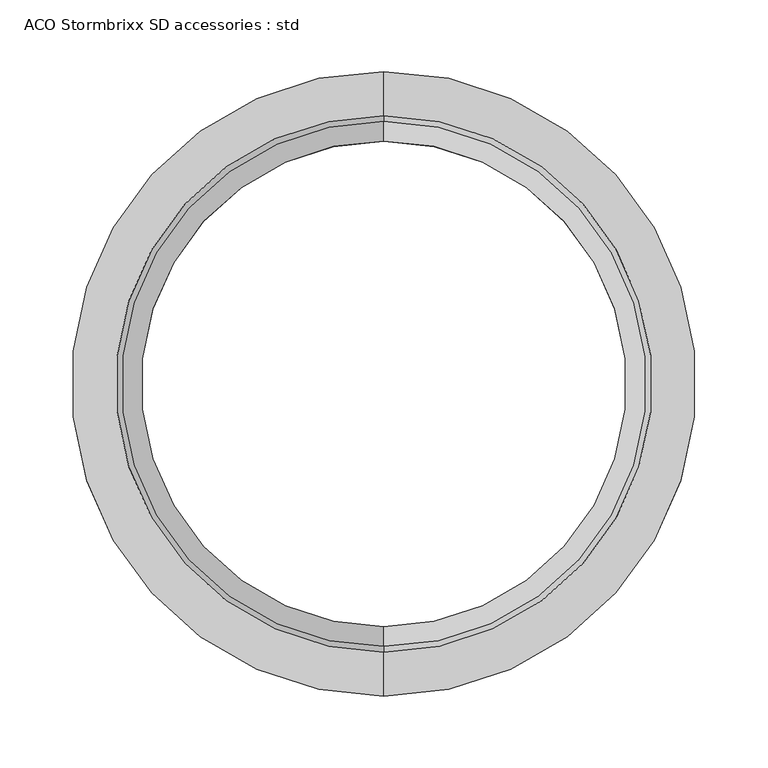
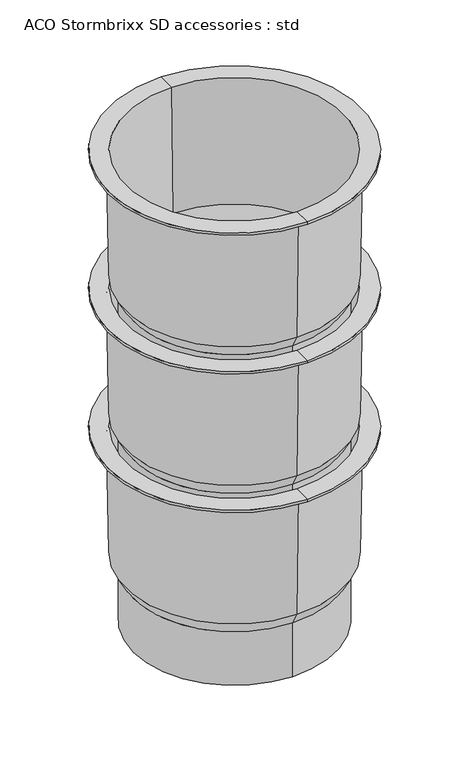
"""IFC4 building model written with IfcOpenShell, lengths in millimetres: proxy geometry, ACO Stormbrixx SD accessories : std."""

import ifcopenshell
import ifcopenshell.guid

model = None  # the IFC model being written
_history = None  # IfcOwnerHistory: only IFC2X3 demands one
_inside = {}  # id of a spatial element -> (the spatial element, [elements in it])
_under = {}  # id of a project, library or spatial element -> (it, [spatial elements below it])
_declared = {}  # id of a project -> (the project, [libraries it declares])
_typed = {}  # id of a type object -> (the type object, [elements of that type])
_made_of = {}  # id of a material, layer set ... -> (it, [elements and type objects made of it])


def new_model(schema):
    """Start an empty IFC model of exactly this schema.

    Asked for "IFC4X3", IfcOpenShell would pick the latest addendum, in which some entities
    have other attributes; the version numbers below select the first issue.
    IFC2X3 requires an IfcOwnerHistory on every rooted entity: one is made here for all.
    """
    global model, _history
    if schema == "IFC4X3":
        model = ifcopenshell.file(schema_version=(4, 3, 0, 0))
    else:
        model = ifcopenshell.file(schema=schema)
    _inside.clear()
    _under.clear()
    _declared.clear()
    _typed.clear()
    _made_of.clear()
    _history = None
    if model.schema == "IFC2X3":
        org = make("IfcOrganization", Name="unknown")
        user = make(
            "IfcPersonAndOrganization",
            ThePerson=make("IfcPerson", FamilyName="unknown"),
            TheOrganization=org,
        )
        app = make(
            "IfcApplication",
            ApplicationDeveloper=org,
            Version="unknown",
            ApplicationFullName="unknown",
            ApplicationIdentifier="unknown",
        )
        _history = make(
            "IfcOwnerHistory",
            OwningUser=user,
            OwningApplication=app,
            ChangeAction="ADDED",
            CreationDate=0,
        )
    return model


def make(cls, **values):
    """One entity of the class cls with the attributes given. An attribute that is None is left unset."""
    return model.create_entity(
        cls, **{name: value for name, value in values.items() if value is not None}
    )


def rooted(cls, **values):
    """An entity with a GlobalId (a new one), such as an element, a storey or a relation."""
    return make(cls, GlobalId=ifcopenshell.guid.new(), OwnerHistory=_history, **values)


def si_unit(unit_type, name, prefix=None):
    """IfcSIUnit, for example si_unit("LENGTHUNIT", "METRE", prefix="MILLI")."""
    return make("IfcSIUnit", UnitType=unit_type, Prefix=prefix, Name=name)


def assignment(units):
    """IfcUnitAssignment: the units of a project."""
    return None if units is None else make("IfcUnitAssignment", Units=units)


def point(xyz):
    """IfcCartesianPoint."""
    return None if xyz is None else make("IfcCartesianPoint", Coordinates=xyz)


def direction(xyz):
    """IfcDirection."""
    return None if xyz is None else make("IfcDirection", DirectionRatios=xyz)


def frame(location, z_axis=None, x_axis=None):
    """IfcAxis2Placement3D, a coordinate frame: its origin and axes. An axis left out is left unset."""
    return make(
        "IfcAxis2Placement3D",
        Location=point(location),
        Axis=direction(z_axis),
        RefDirection=direction(x_axis),
    )


def origin():
    """The frame at (0, 0, 0) with its axes left unset."""
    return frame((0.0, 0.0, 0.0))


def place(relative_to, where):
    """IfcLocalPlacement: puts the frame where relative to a parent placement (None: the world)."""
    return make(
        "IfcLocalPlacement", PlacementRelTo=relative_to, RelativePlacement=where
    )


def context(
    kind, dimensions, precision=None, world=None, true_north=None, identifier=None
):
    """IfcGeometricRepresentationContext, for example the 3D "Model" context."""
    return make(
        "IfcGeometricRepresentationContext",
        ContextIdentifier=identifier,
        ContextType=kind,
        CoordinateSpaceDimension=dimensions,
        Precision=precision,
        WorldCoordinateSystem=world,
        TrueNorth=true_north,
    )


def project(units=None, contexts=None):
    """IfcProject with its units and contexts."""
    return rooted(
        "IfcProject",
        Name="project",
        RepresentationContexts=contexts,
        UnitsInContext=assignment(units),
    )


def spatial(cls, under=None, at=None, **own):
    """A site, building, storey or space (cls), placed at a placement, below another one or the project."""
    s = rooted(cls, ObjectPlacement=at, **own)
    if under is not None:
        _under.setdefault(under.id(), (under, []))[1].append(s)
    return s


def polyline(points):
    """IfcPolyline through the points."""
    return make("IfcPolyline", Points=[point(p) for p in points])


def circle_curve(where, radius):
    """IfcCircle in the frame where."""
    return make("IfcCircle", Position=where, Radius=radius)


def shape(context_of_items, identifier, shape_type, items):
    """IfcShapeRepresentation: the items that make up one representation, for example the "Body"."""
    return make(
        "IfcShapeRepresentation",
        ContextOfItems=context_of_items,
        RepresentationIdentifier=identifier,
        RepresentationType=shape_type,
        Items=items,
    )


def source(mapping_origin, context_of_items, identifier, shape_type, items):
    """IfcRepresentationMap: a shape defined once, which mapped items show again and again."""
    return make(
        "IfcRepresentationMap",
        MappingOrigin=mapping_origin,
        MappedRepresentation=shape(context_of_items, identifier, shape_type, items),
    )


def transform(
    local_origin,
    x_axis=None,
    y_axis=None,
    z_axis=None,
    scale=None,
    scale2=None,
    scale3=None,
    uniform=True,
):
    """IfcCartesianTransformationOperator3D, or its non-uniform kind. x_axis, y_axis, z_axis: its Axis1, 2, 3."""
    if uniform:
        return make(
            "IfcCartesianTransformationOperator3D",
            Axis1=direction(x_axis),
            Axis2=direction(y_axis),
            LocalOrigin=point(local_origin),
            Scale=scale,
            Axis3=direction(z_axis),
        )
    return make(
        "IfcCartesianTransformationOperator3DnonUniform",
        Axis1=direction(x_axis),
        Axis2=direction(y_axis),
        LocalOrigin=point(local_origin),
        Scale=scale,
        Axis3=direction(z_axis),
        Scale2=scale2,
        Scale3=scale3,
    )


def mapped(mapping_source, mapping_target):
    """IfcMappedItem: shows the shape of a source again, moved by a transform."""
    return make(
        "IfcMappedItem", MappingSource=mapping_source, MappingTarget=mapping_target
    )


def made_of(thing, what):
    """Note that an element or type object is made of a material, layer set ...; save() writes the relation."""
    if what is not None:
        _made_of.setdefault(what.id(), (what, []))[1].append(thing)
    return thing


def element(
    cls,
    number,
    at=None,
    inside=None,
    cuts=None,
    type_object=None,
    material=None,
    context=None,
    identifier="Body",
    shape_type=None,
    held_by="IfcProductDefinitionShape",
    body=None,
    shapes=None,
    **own,
):
    """One element of the class cls, such as IfcWall. Its Tag is "e" and its number.

    at: its placement. inside: the storey or other place that contains it. cuts: it is an
    opening in that element (IfcRelVoidsElement). A single representation is given by context,
    identifier, shape_type and body (its items); several are given by shapes. held_by: the class
    of the entity that holds the representations. save() writes the other relations.
    """
    e = rooted(cls, Tag="e%d" % number, ObjectPlacement=at, **own)
    if body is not None:
        shapes = [shape(context, identifier, shape_type, body)]
    if shapes is not None:
        e.Representation = make(held_by, Representations=shapes)
    if inside is not None:
        _inside.setdefault(inside.id(), (inside, []))[1].append(e)
    if cuts is not None:
        rooted(
            "IfcRelVoidsElement", RelatingBuildingElement=cuts, RelatedOpeningElement=e
        )
    if type_object is not None:
        _typed.setdefault(type_object.id(), (type_object, []))[1].append(e)
    return made_of(e, material)


def aggregate(whole, parts):
    """IfcRelAggregates: a whole, such as a stair, and the parts it consists of."""
    return rooted("IfcRelAggregates", RelatingObject=whole, RelatedObjects=parts)


def save(model, path):
    """Write the relations noted so far, then the file.

    IfcRelAggregates (storeys below a building ...), IfcRelContainedInSpatialStructure (elements
    in a storey), IfcRelDefinesByType, IfcRelAssociatesMaterial and IfcRelDeclares: one each for
    every whole, place, type object, material and project.
    """
    for whole, parts in _under.values():
        aggregate(whole, parts)
    for where, things in _inside.values():
        rooted(
            "IfcRelContainedInSpatialStructure",
            RelatedElements=things,
            RelatingStructure=where,
        )
    for kind, things in _typed.values():
        rooted("IfcRelDefinesByType", RelatedObjects=things, RelatingType=kind)
    for what, things in _made_of.values():
        rooted("IfcRelAssociatesMaterial", RelatedObjects=things, RelatingMaterial=what)
    for by, libraries in _declared.values():
        rooted("IfcRelDeclares", RelatingContext=by, RelatedDefinitions=libraries)
    model.write(path)


def plane_surface(at):
    """IfcPlane: the flat surface through the origin of the frame at, square to its z axis."""
    return make("IfcPlane", Position=at)


def cylinder_surface(at, radius):
    """IfcCylindricalSurface: all points at the distance radius from the z axis of the frame at."""
    return make("IfcCylindricalSurface", Position=at, Radius=radius)


def revolved_surface(curve, axis_point, axis_direction):
    """IfcSurfaceOfRevolution: the curve turned about the line through axis_point along axis_direction."""
    return make(
        "IfcSurfaceOfRevolution",
        SweptCurve=make("IfcArbitraryOpenProfileDef", ProfileType="CURVE", Curve=curve),
        AxisPosition=make("IfcAxis1Placement", Location=point(axis_point), Axis=direction(axis_direction)),
    )


def advanced_brep(points, edges, surfaces, faces):
    """IfcAdvancedBrep: a solid bounded by faces that lie on surfaces and meet in shared edges.

    An edge is (start, end): straight between two places in points (the first is 0);
    or (start, end, curve); or (start, end, curve, False) where it runs against its curve.
    A face is (place in surfaces, loops), or (place, loops, False) where it looks against
    its surface's normal. A loop lists edges by number (the first is 1), with a minus sign
    where the edge is run from its end to its start. The first loop is the outer one.
    """
    corners = [point(p) for p in points]
    vertices = [make("IfcVertexPoint", VertexGeometry=c) for c in corners]
    made = []
    for start, end, *more in edges:
        made.append(
            make(
                "IfcEdgeCurve",
                EdgeStart=vertices[start],
                EdgeEnd=vertices[end],
                EdgeGeometry=more[0] if more else make("IfcPolyline", Points=[corners[start], corners[end]]),
                SameSense=more[1] if len(more) > 1 else True,
            )
        )
    hull = []
    for where, loops, *sense in faces:
        bounds = []
        for j, loop in enumerate(loops):
            ring = [make("IfcOrientedEdge", EdgeElement=made[abs(k) - 1], Orientation=k > 0) for k in loop]
            bounds.append(
                make(
                    "IfcFaceOuterBound" if j == 0 else "IfcFaceBound",
                    Bound=make("IfcEdgeLoop", EdgeList=ring),
                    Orientation=True,
                )
            )
        hull.append(make("IfcAdvancedFace", Bounds=bounds, FaceSurface=surfaces[where], SameSense=sense[0] if sense else True))
    return make("IfcAdvancedBrep", Outer=make("IfcClosedShell", CfsFaces=hull))


def aco_stormbrixx_sd_accessories_std_d6255f31(model_context):
    return source(origin(), model_context, "Body", "AdvancedBrep", [
        advanced_brep(
        [(325.0, 169.5, 1342.2296145), (325.0, -169.5, 1342.2296145), (325.0, -169.5, 1440.9716668), (325.0, 169.5, 1440.9716668), (325.0, 174.0, 1342.2296145), (325.0, -174.0, 1342.2296145), (325.0, 174.0, 1439.7658954), (325.0, -174.0, 1439.7658954), (325.0, 187.7533964, 1463.5874768), (325.0, -187.7533964, 1463.5874768), (325.0, 191.665812, 1687.7296145), (325.0, -191.665812, 1687.7296145), (325.0, 218.0, 1687.7296145), (325.0, -218.0, 1687.7296145), (325.0, 218.0, 1692.1796145), (325.0, -218.0, 1692.1796145), (325.0, 187.2428016, 1692.1796145), (325.0, -187.2428016, 1692.1796145), (325.0, 183.2743925, 1464.8296145), (325.0, -183.2743925, 1464.8296145)],
        [
            (0, 1, circle_curve(frame((325.0, 0.0, 1342.2296145), z_axis=(0.0, 0.0, -1.0), x_axis=(0.0, -1.0, 0.0)), 169.5)),
            (1, 2),
            (2, 3, circle_curve(frame((325.0, 0.0, 1440.9716668), z_axis=(0.0, 0.0, 1.0), x_axis=(0.0, -1.0, 0.0)), 169.5)),
            (3, 0),
            (1, 0, circle_curve(frame((325.0, 0.0, 1342.2296145), z_axis=(0.0, 0.0, -1.0), x_axis=(0.0, -1.0, 0.0)), 169.5)),
            (3, 2, circle_curve(frame((325.0, 0.0, 1440.9716668), z_axis=(0.0, 0.0, 1.0), x_axis=(0.0, -1.0, 0.0)), 169.5)),
            (4, 5, circle_curve(frame((325.0, 0.0, 1342.2296145), z_axis=(0.0, 0.0, -1.0), x_axis=(0.0, -1.0, 0.0)), 174.0)),
            (5, 1),
            (0, 4),
            (5, 4, circle_curve(frame((325.0, 0.0, 1342.2296145), z_axis=(0.0, 0.0, -1.0), x_axis=(0.0, -1.0, 0.0)), 174.0)),
            (6, 7, circle_curve(frame((325.0, 0.0, 1439.7658954), z_axis=(0.0, 0.0, -1.0), x_axis=(0.0, -1.0, 0.0)), 174.0)),
            (7, 5),
            (4, 6),
            (7, 6, circle_curve(frame((325.0, 0.0, 1439.7658954), z_axis=(0.0, 0.0, -1.0), x_axis=(0.0, -1.0, 0.0)), 174.0)),
            (8, 9, circle_curve(frame((325.0, 0.0, 1463.5874768), z_axis=(0.0, 0.0, -1.0), x_axis=(0.0, -1.0, 0.0)), 187.7533964)),
            (9, 7),
            (6, 8),
            (9, 8, circle_curve(frame((325.0, 0.0, 1463.5874768), z_axis=(0.0, 0.0, -1.0), x_axis=(0.0, -1.0, 0.0)), 187.7533964)),
            (10, 11, circle_curve(frame((325.0, 0.0, 1687.7296145), z_axis=(0.0, 0.0, -1.0), x_axis=(0.0, -1.0, 0.0)), 191.665812)),
            (11, 9),
            (8, 10),
            (11, 10, circle_curve(frame((325.0, 0.0, 1687.7296145), z_axis=(0.0, 0.0, -1.0), x_axis=(0.0, -1.0, 0.0)), 191.665812)),
            (12, 13, circle_curve(frame((325.0, 0.0, 1687.7296145), z_axis=(0.0, 0.0, -1.0), x_axis=(0.0, -1.0, 0.0)), 218.0)),
            (13, 11),
            (10, 12),
            (13, 12, circle_curve(frame((325.0, 0.0, 1687.7296145), z_axis=(0.0, 0.0, -1.0), x_axis=(0.0, -1.0, 0.0)), 218.0)),
            (14, 15, circle_curve(frame((325.0, 0.0, 1692.1796145), z_axis=(0.0, 0.0, -1.0), x_axis=(0.0, -1.0, 0.0)), 218.0)),
            (15, 13),
            (12, 14),
            (15, 14, circle_curve(frame((325.0, 0.0, 1692.1796145), z_axis=(0.0, 0.0, -1.0), x_axis=(0.0, -1.0, 0.0)), 218.0)),
            (16, 17, circle_curve(frame((325.0, 0.0, 1692.1796145), z_axis=(0.0, 0.0, -1.0), x_axis=(0.0, -1.0, 0.0)), 187.2428016)),
            (17, 15),
            (14, 16),
            (17, 16, circle_curve(frame((325.0, 0.0, 1692.1796145), z_axis=(0.0, 0.0, -1.0), x_axis=(0.0, -1.0, 0.0)), 187.2428016)),
            (18, 19, circle_curve(frame((325.0, 0.0, 1464.8296145), z_axis=(0.0, 0.0, -1.0), x_axis=(0.0, -1.0, 0.0)), 183.2743925)),
            (19, 17),
            (16, 18),
            (19, 18, circle_curve(frame((325.0, 0.0, 1464.8296145), z_axis=(0.0, 0.0, -1.0), x_axis=(0.0, -1.0, 0.0)), 183.2743925)),
            (2, 19),
            (18, 3),
        ],
        [
            revolved_surface(polyline([(325.0, -169.5, 1440.9716668), (325.0, -169.5, 1342.2296145)]), (325.0, 0.0, 1260.9296145), (0.0, 0.0, 1.0)),
            plane_surface(frame((325.0, 0.0, 1342.2296145), z_axis=(0.0, 0.0, -1.0), x_axis=(0.0, -1.0, 0.0))),
            cylinder_surface(frame((325.0, 0.0, 1260.9296145), z_axis=(0.0, 0.0, 1.0), x_axis=(0.0, -1.0, 0.0)), 174.0),
            revolved_surface(polyline([(325.0, -174.0, 1439.7658954), (325.0, -187.7533964, 1463.5874768)]), (325.0, 0.0, 1260.9296145), (0.0, 0.0, 1.0)),
            revolved_surface(polyline([(325.0, -187.7533964, 1463.5874768), (325.0, -191.665812, 1687.7296145)]), (325.0, 0.0, 1260.9296145), (0.0, 0.0, 1.0)),
            plane_surface(frame((325.0, 0.0, 1687.7296145), z_axis=(0.0, 0.0, -1.0), x_axis=(0.0, -1.0, 0.0))),
            cylinder_surface(frame((325.0, 0.0, 1260.9296145), z_axis=(0.0, 0.0, 1.0), x_axis=(0.0, -1.0, 0.0)), 218.0),
            plane_surface(frame((325.0, 0.0, 1692.1796145), z_axis=(0.0, 0.0, 1.0), x_axis=(0.0, -1.0, 0.0))),
            revolved_surface(polyline([(325.0, -187.2428016, 1692.1796145), (325.0, -183.2743925, 1464.8296145)]), (325.0, 0.0, 1260.9296145), (0.0, 0.0, 1.0)),
            revolved_surface(polyline([(325.0, -183.2743925, 1464.8296145), (325.0, -169.5, 1440.9716668)]), (325.0, 0.0, 1260.9296145), (0.0, 0.0, 1.0)),
        ],
        [
            (0, [[1, 2, 3, 4]]),
            (0, [[5, -4, 6, -2]]),
            (1, [[7, 8, -1, 9]]),
            (1, [[10, -9, -5, -8]]),
            (2, [[11, 12, -7, 13]]),
            (2, [[14, -13, -10, -12]]),
            (3, [[15, 16, -11, 17]]),
            (3, [[18, -17, -14, -16]]),
            (4, [[19, 20, -15, 21]]),
            (4, [[22, -21, -18, -20]]),
            (5, [[23, 24, -19, 25]]),
            (5, [[26, -25, -22, -24]]),
            (6, [[27, 28, -23, 29]]),
            (6, [[30, -29, -26, -28]]),
            (7, [[31, 32, -27, 33]]),
            (7, [[34, -33, -30, -32]]),
            (8, [[35, 36, -31, 37]]),
            (8, [[38, -37, -34, -36]]),
            (9, [[-3, 39, -35, 40]]),
            (9, [[-6, -40, -38, -39]]),
        ],
    ),
        advanced_brep(
        [(325.0, 169.5, 1089.8466668), (325.0, -169.5, 1089.8466668), (325.0, -169.5, 1188.5887191), (325.0, 169.5, 1188.5887191), (325.0, 174.0, 1089.8466668), (325.0, -174.0, 1089.8466668), (325.0, 174.0, 1187.3829477), (325.0, -174.0, 1187.3829477), (325.0, 187.7533964, 1211.2045291), (325.0, -187.7533964, 1211.2045291), (325.0, 191.665812, 1435.3466668), (325.0, -191.665812, 1435.3466668), (325.0, 218.0, 1435.3466668), (325.0, -218.0, 1435.3466668), (325.0, 218.0, 1439.7966668), (325.0, -218.0, 1439.7966668), (325.0, 187.2428016, 1439.7966668), (325.0, -187.2428016, 1439.7966668), (325.0, 183.2743925, 1212.4466668), (325.0, -183.2743925, 1212.4466668)],
        [
            (0, 1, circle_curve(frame((325.0, 0.0, 1089.8466668), z_axis=(0.0, 0.0, -1.0), x_axis=(0.0, -1.0, 0.0)), 169.5)),
            (1, 2),
            (2, 3, circle_curve(frame((325.0, 0.0, 1188.5887191), z_axis=(0.0, 0.0, 1.0), x_axis=(0.0, -1.0, 0.0)), 169.5)),
            (3, 0),
            (1, 0, circle_curve(frame((325.0, 0.0, 1089.8466668), z_axis=(0.0, 0.0, -1.0), x_axis=(0.0, -1.0, 0.0)), 169.5)),
            (3, 2, circle_curve(frame((325.0, 0.0, 1188.5887191), z_axis=(0.0, 0.0, 1.0), x_axis=(0.0, -1.0, 0.0)), 169.5)),
            (4, 5, circle_curve(frame((325.0, 0.0, 1089.8466668), z_axis=(0.0, 0.0, -1.0), x_axis=(0.0, -1.0, 0.0)), 174.0)),
            (5, 1),
            (0, 4),
            (5, 4, circle_curve(frame((325.0, 0.0, 1089.8466668), z_axis=(0.0, 0.0, -1.0), x_axis=(0.0, -1.0, 0.0)), 174.0)),
            (6, 7, circle_curve(frame((325.0, 0.0, 1187.3829477), z_axis=(0.0, 0.0, -1.0), x_axis=(0.0, -1.0, 0.0)), 174.0)),
            (7, 5),
            (4, 6),
            (7, 6, circle_curve(frame((325.0, 0.0, 1187.3829477), z_axis=(0.0, 0.0, -1.0), x_axis=(0.0, -1.0, 0.0)), 174.0)),
            (8, 9, circle_curve(frame((325.0, 0.0, 1211.2045291), z_axis=(0.0, 0.0, -1.0), x_axis=(0.0, -1.0, 0.0)), 187.7533964)),
            (9, 7),
            (6, 8),
            (9, 8, circle_curve(frame((325.0, 0.0, 1211.2045291), z_axis=(0.0, 0.0, -1.0), x_axis=(0.0, -1.0, 0.0)), 187.7533964)),
            (10, 11, circle_curve(frame((325.0, 0.0, 1435.3466668), z_axis=(0.0, 0.0, -1.0), x_axis=(0.0, -1.0, 0.0)), 191.665812)),
            (11, 9),
            (8, 10),
            (11, 10, circle_curve(frame((325.0, 0.0, 1435.3466668), z_axis=(0.0, 0.0, -1.0), x_axis=(0.0, -1.0, 0.0)), 191.665812)),
            (12, 13, circle_curve(frame((325.0, 0.0, 1435.3466668), z_axis=(0.0, 0.0, -1.0), x_axis=(0.0, -1.0, 0.0)), 218.0)),
            (13, 11),
            (10, 12),
            (13, 12, circle_curve(frame((325.0, 0.0, 1435.3466668), z_axis=(0.0, 0.0, -1.0), x_axis=(0.0, -1.0, 0.0)), 218.0)),
            (14, 15, circle_curve(frame((325.0, 0.0, 1439.7966668), z_axis=(0.0, 0.0, -1.0), x_axis=(0.0, -1.0, 0.0)), 218.0)),
            (15, 13),
            (12, 14),
            (15, 14, circle_curve(frame((325.0, 0.0, 1439.7966668), z_axis=(0.0, 0.0, -1.0), x_axis=(0.0, -1.0, 0.0)), 218.0)),
            (16, 17, circle_curve(frame((325.0, 0.0, 1439.7966668), z_axis=(0.0, 0.0, -1.0), x_axis=(0.0, -1.0, 0.0)), 187.2428016)),
            (17, 15),
            (14, 16),
            (17, 16, circle_curve(frame((325.0, 0.0, 1439.7966668), z_axis=(0.0, 0.0, -1.0), x_axis=(0.0, -1.0, 0.0)), 187.2428016)),
            (18, 19, circle_curve(frame((325.0, 0.0, 1212.4466668), z_axis=(0.0, 0.0, -1.0), x_axis=(0.0, -1.0, 0.0)), 183.2743925)),
            (19, 17),
            (16, 18),
            (19, 18, circle_curve(frame((325.0, 0.0, 1212.4466668), z_axis=(0.0, 0.0, -1.0), x_axis=(0.0, -1.0, 0.0)), 183.2743925)),
            (2, 19),
            (18, 3),
        ],
        [
            revolved_surface(polyline([(325.0, -169.5, 1188.5887191), (325.0, -169.5, 1089.8466668)]), (325.0, 0.0, 1008.5466668), (0.0, 0.0, 1.0)),
            plane_surface(frame((325.0, 0.0, 1089.8466668), z_axis=(0.0, 0.0, -1.0), x_axis=(0.0, -1.0, 0.0))),
            cylinder_surface(frame((325.0, 0.0, 1008.5466668), z_axis=(0.0, 0.0, 1.0), x_axis=(0.0, -1.0, 0.0)), 174.0),
            revolved_surface(polyline([(325.0, -174.0, 1187.3829477), (325.0, -187.7533964, 1211.2045291)]), (325.0, 0.0, 1008.5466668), (0.0, 0.0, 1.0)),
            revolved_surface(polyline([(325.0, -187.7533964, 1211.2045291), (325.0, -191.665812, 1435.3466668)]), (325.0, 0.0, 1008.5466668), (0.0, 0.0, 1.0)),
            plane_surface(frame((325.0, 0.0, 1435.3466668), z_axis=(0.0, 0.0, -1.0), x_axis=(0.0, -1.0, 0.0))),
            cylinder_surface(frame((325.0, 0.0, 1008.5466668), z_axis=(0.0, 0.0, 1.0), x_axis=(0.0, -1.0, 0.0)), 218.0),
            plane_surface(frame((325.0, 0.0, 1439.7966668), z_axis=(0.0, 0.0, 1.0), x_axis=(0.0, -1.0, 0.0))),
            revolved_surface(polyline([(325.0, -187.2428016, 1439.7966668), (325.0, -183.2743925, 1212.4466668)]), (325.0, 0.0, 1008.5466668), (0.0, 0.0, 1.0)),
            revolved_surface(polyline([(325.0, -183.2743925, 1212.4466668), (325.0, -169.5, 1188.5887191)]), (325.0, 0.0, 1008.5466668), (0.0, 0.0, 1.0)),
        ],
        [
            (0, [[1, 2, 3, 4]]),
            (0, [[5, -4, 6, -2]]),
            (1, [[7, 8, -1, 9]]),
            (1, [[10, -9, -5, -8]]),
            (2, [[11, 12, -7, 13]]),
            (2, [[14, -13, -10, -12]]),
            (3, [[15, 16, -11, 17]]),
            (3, [[18, -17, -14, -16]]),
            (4, [[19, 20, -15, 21]]),
            (4, [[22, -21, -18, -20]]),
            (5, [[23, 24, -19, 25]]),
            (5, [[26, -25, -22, -24]]),
            (6, [[27, 28, -23, 29]]),
            (6, [[30, -29, -26, -28]]),
            (7, [[31, 32, -27, 33]]),
            (7, [[34, -33, -30, -32]]),
            (8, [[35, 36, -31, 37]]),
            (8, [[38, -37, -34, -36]]),
            (9, [[-3, 39, -35, 40]]),
            (9, [[-6, -40, -38, -39]]),
        ],
    ),
        advanced_brep(
        [(325.0, 169.5, 837.4637191), (325.0, -169.5, 837.4637191), (325.0, -169.5, 936.2057714), (325.0, 169.5, 936.2057714), (325.0, 174.0, 837.4637191), (325.0, -174.0, 837.4637191), (325.0, 174.0, 935.0), (325.0, -174.0, 935.0), (325.0, 187.7533964, 958.8215814), (325.0, -187.7533964, 958.8215814), (325.0, 191.665812, 1182.9637191), (325.0, -191.665812, 1182.9637191), (325.0, 218.0, 1182.9637191), (325.0, -218.0, 1182.9637191), (325.0, 218.0, 1187.4137191), (325.0, -218.0, 1187.4137191), (325.0, 187.2428016, 1187.4137191), (325.0, -187.2428016, 1187.4137191), (325.0, 183.2743925, 960.0637191), (325.0, -183.2743925, 960.0637191)],
        [
            (0, 1, circle_curve(frame((325.0, 0.0, 837.4637191), z_axis=(0.0, 0.0, -1.0), x_axis=(0.0, -1.0, 0.0)), 169.5)),
            (1, 2),
            (2, 3, circle_curve(frame((325.0, 0.0, 936.2057714), z_axis=(0.0, 0.0, 1.0), x_axis=(0.0, -1.0, 0.0)), 169.5)),
            (3, 0),
            (1, 0, circle_curve(frame((325.0, 0.0, 837.4637191), z_axis=(0.0, 0.0, -1.0), x_axis=(0.0, -1.0, 0.0)), 169.5)),
            (3, 2, circle_curve(frame((325.0, 0.0, 936.2057714), z_axis=(0.0, 0.0, 1.0), x_axis=(0.0, -1.0, 0.0)), 169.5)),
            (4, 5, circle_curve(frame((325.0, 0.0, 837.4637191), z_axis=(0.0, 0.0, -1.0), x_axis=(0.0, -1.0, 0.0)), 174.0)),
            (5, 1),
            (0, 4),
            (5, 4, circle_curve(frame((325.0, 0.0, 837.4637191), z_axis=(0.0, 0.0, -1.0), x_axis=(0.0, -1.0, 0.0)), 174.0)),
            (6, 7, circle_curve(frame((325.0, 0.0, 935.0), z_axis=(0.0, 0.0, -1.0), x_axis=(0.0, -1.0, 0.0)), 174.0)),
            (7, 5),
            (4, 6),
            (7, 6, circle_curve(frame((325.0, 0.0, 935.0), z_axis=(0.0, 0.0, -1.0), x_axis=(0.0, -1.0, 0.0)), 174.0)),
            (8, 9, circle_curve(frame((325.0, 0.0, 958.8215814), z_axis=(0.0, 0.0, -1.0), x_axis=(0.0, -1.0, 0.0)), 187.7533964)),
            (9, 7),
            (6, 8),
            (9, 8, circle_curve(frame((325.0, 0.0, 958.8215814), z_axis=(0.0, 0.0, -1.0), x_axis=(0.0, -1.0, 0.0)), 187.7533964)),
            (10, 11, circle_curve(frame((325.0, 0.0, 1182.9637191), z_axis=(0.0, 0.0, -1.0), x_axis=(0.0, -1.0, 0.0)), 191.665812)),
            (11, 9),
            (8, 10),
            (11, 10, circle_curve(frame((325.0, 0.0, 1182.9637191), z_axis=(0.0, 0.0, -1.0), x_axis=(0.0, -1.0, 0.0)), 191.665812)),
            (12, 13, circle_curve(frame((325.0, 0.0, 1182.9637191), z_axis=(0.0, 0.0, -1.0), x_axis=(0.0, -1.0, 0.0)), 218.0)),
            (13, 11),
            (10, 12),
            (13, 12, circle_curve(frame((325.0, 0.0, 1182.9637191), z_axis=(0.0, 0.0, -1.0), x_axis=(0.0, -1.0, 0.0)), 218.0)),
            (14, 15, circle_curve(frame((325.0, 0.0, 1187.4137191), z_axis=(0.0, 0.0, -1.0), x_axis=(0.0, -1.0, 0.0)), 218.0)),
            (15, 13),
            (12, 14),
            (15, 14, circle_curve(frame((325.0, 0.0, 1187.4137191), z_axis=(0.0, 0.0, -1.0), x_axis=(0.0, -1.0, 0.0)), 218.0)),
            (16, 17, circle_curve(frame((325.0, 0.0, 1187.4137191), z_axis=(0.0, 0.0, -1.0), x_axis=(0.0, -1.0, 0.0)), 187.2428016)),
            (17, 15),
            (14, 16),
            (17, 16, circle_curve(frame((325.0, 0.0, 1187.4137191), z_axis=(0.0, 0.0, -1.0), x_axis=(0.0, -1.0, 0.0)), 187.2428016)),
            (18, 19, circle_curve(frame((325.0, 0.0, 960.0637191), z_axis=(0.0, 0.0, -1.0), x_axis=(0.0, -1.0, 0.0)), 183.2743925)),
            (19, 17),
            (16, 18),
            (19, 18, circle_curve(frame((325.0, 0.0, 960.0637191), z_axis=(0.0, 0.0, -1.0), x_axis=(0.0, -1.0, 0.0)), 183.2743925)),
            (2, 19),
            (18, 3),
        ],
        [
            revolved_surface(polyline([(325.0, -169.5, 936.2057714), (325.0, -169.5, 837.4637191)]), (325.0, 0.0, 756.1637191), (0.0, 0.0, 1.0)),
            plane_surface(frame((325.0, 0.0, 837.4637191), z_axis=(0.0, 0.0, -1.0), x_axis=(0.0, -1.0, 0.0))),
            cylinder_surface(frame((325.0, 0.0, 756.1637191), z_axis=(0.0, 0.0, 1.0), x_axis=(0.0, -1.0, 0.0)), 174.0),
            revolved_surface(polyline([(325.0, -174.0, 935.0), (325.0, -187.7533964, 958.8215814)]), (325.0, 0.0, 756.1637191), (0.0, 0.0, 1.0)),
            revolved_surface(polyline([(325.0, -187.7533964, 958.8215814), (325.0, -191.665812, 1182.9637191)]), (325.0, 0.0, 756.1637191), (0.0, 0.0, 1.0)),
            plane_surface(frame((325.0, 0.0, 1182.9637191), z_axis=(0.0, 0.0, -1.0), x_axis=(0.0, -1.0, 0.0))),
            cylinder_surface(frame((325.0, 0.0, 756.1637191), z_axis=(0.0, 0.0, 1.0), x_axis=(0.0, -1.0, 0.0)), 218.0),
            plane_surface(frame((325.0, 0.0, 1187.4137191), z_axis=(0.0, 0.0, 1.0), x_axis=(0.0, -1.0, 0.0))),
            revolved_surface(polyline([(325.0, -187.2428016, 1187.4137191), (325.0, -183.2743925, 960.0637191)]), (325.0, 0.0, 756.1637191), (0.0, 0.0, 1.0)),
            revolved_surface(polyline([(325.0, -183.2743925, 960.0637191), (325.0, -169.5, 936.2057714)]), (325.0, 0.0, 756.1637191), (0.0, 0.0, 1.0)),
        ],
        [
            (0, [[1, 2, 3, 4]]),
            (0, [[5, -4, 6, -2]]),
            (1, [[7, 8, -1, 9]]),
            (1, [[10, -9, -5, -8]]),
            (2, [[11, 12, -7, 13]]),
            (2, [[14, -13, -10, -12]]),
            (3, [[15, 16, -11, 17]]),
            (3, [[18, -17, -14, -16]]),
            (4, [[19, 20, -15, 21]]),
            (4, [[22, -21, -18, -20]]),
            (5, [[23, 24, -19, 25]]),
            (5, [[26, -25, -22, -24]]),
            (6, [[27, 28, -23, 29]]),
            (6, [[30, -29, -26, -28]]),
            (7, [[31, 32, -27, 33]]),
            (7, [[34, -33, -30, -32]]),
            (8, [[35, 36, -31, 37]]),
            (8, [[38, -37, -34, -36]]),
            (9, [[-3, 39, -35, 40]]),
            (9, [[-6, -40, -38, -39]]),
        ],
    ),
    ])


if __name__ == "__main__":
    model = new_model("IFC4")
    model_context = context("Model", 3, world=origin())
    ifc_project = project(units=[si_unit("LENGTHUNIT", "METRE", prefix="MILLI")], contexts=[model_context])
    site = spatial("IfcSite", under=ifc_project)
    building = spatial("IfcBuilding", under=site)
    placement = place(None, origin())
    aco_stormbrixx_sd_accessories_std_shape = aco_stormbrixx_sd_accessories_std_d6255f31(model_context)
    element("IfcBuildingElementProxy", 1, Name="ACO Stormbrixx SD accessories : std", ObjectType="ACO Stormbrixx SD accessories : std", at=placement, inside=building, context=model_context, shape_type="MappedRepresentation", body=[
        mapped(aco_stormbrixx_sd_accessories_std_shape, transform((0.0, 0.0, 0.0), x_axis=(1.0, 0.0, 0.0), y_axis=(0.0, 1.0, 0.0), z_axis=(0.0, 0.0, 1.0))),
    ])
    save(model, "model.ifc")
